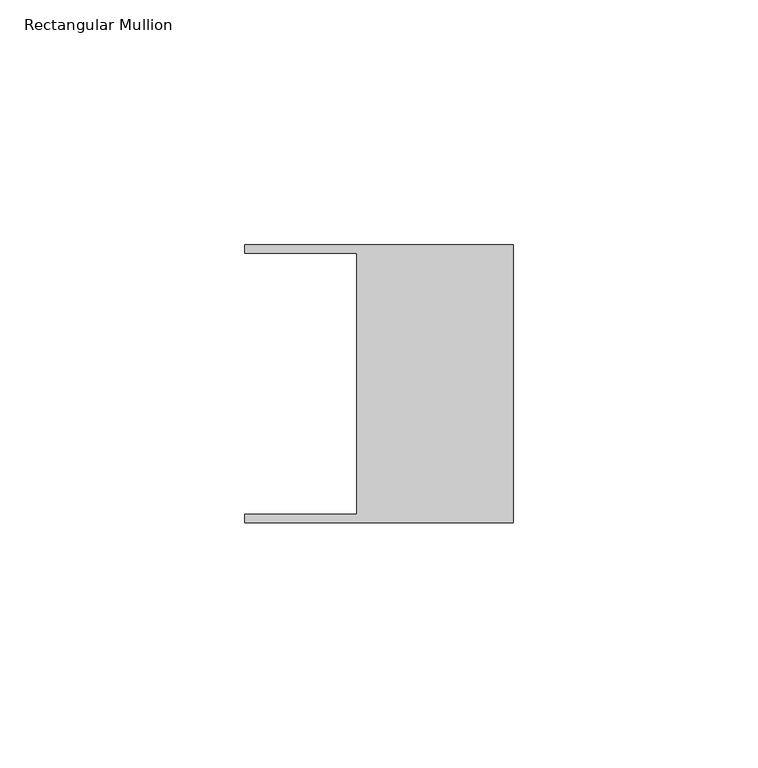
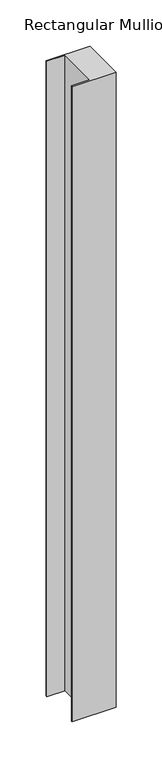
"""IFC4 building model written with IfcOpenShell, lengths in millimetres: member geometry, Rectangular Mullion."""

from ifc_helpers import new_model, si_unit, frame, origin, place, context, project, spatial, polyline, outline, extrude, source, transform, mapped, element, save


def rectangular_mullion_3834df8e(model_context):
    return source(origin(), model_context, "Body", "SweptSolid", [
        extrude(outline(polyline([(-32.004, 26.67), (-54.991, 26.67), (-54.991, 28.448), (0.0, 28.448), (0.0, -28.448), (-54.991, -28.448), (-54.991, -26.67), (-32.004, -26.67), (-32.004, 26.67)])), frame((0.0, 0.0, -841.107537), z_axis=(0.0, 0.0, 1.0), x_axis=(1.0, 0.0, 0.0)), (0.0, 0.0, 1.0), 841.107537),
    ])


if __name__ == "__main__":
    model = new_model("IFC4")
    model_context = context("Model", 3, world=origin())
    ifc_project = project(units=[si_unit("LENGTHUNIT", "METRE", prefix="MILLI")], contexts=[model_context])
    site = spatial("IfcSite", under=ifc_project)
    building = spatial("IfcBuilding", under=site)
    placement = place(None, origin())
    rectangular_mullion_shape = rectangular_mullion_3834df8e(model_context)
    element("IfcMember", 1, ObjectType="Rectangular Mullion", at=placement, inside=building, context=model_context, shape_type="MappedRepresentation", body=[
        mapped(rectangular_mullion_shape, transform((0.0, 0.0, 0.0), x_axis=(1.0, 0.0, 0.0), y_axis=(0.0, 1.0, 0.0), z_axis=(0.0, 0.0, 1.0))),
    ])
    save(model, "model.ifc")
